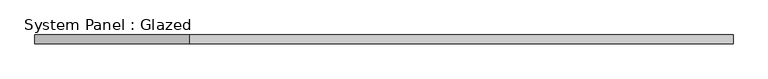
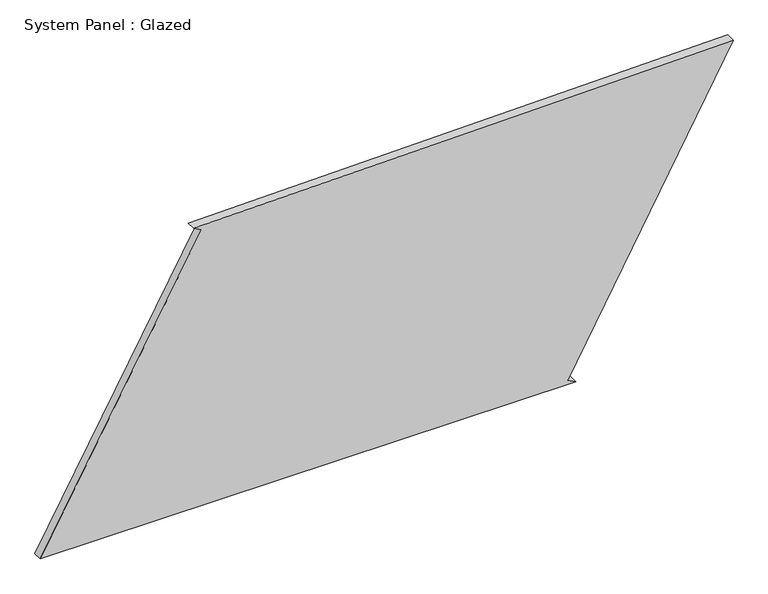
"""IFC4 building model written with IfcOpenShell, lengths in millimetres: plate geometry, System Panel : Glazed."""

from ifc_helpers import new_model, si_unit, frame, origin, place, context, project, spatial, polyline, outline, extrude, source, transform, mapped, element, save


def system_panel_glazed_52726f84(model_context):
    return source(origin(), model_context, "Body", "SweptSolid", [
        extrude(outline(polyline([(0.0, -971.219507), (0.0, 529.5634698), (12.0209769, 507.6432482), (857.3511351, 971.219507), (829.0603554, -540.8398202), (816.9522436, -518.9676089), (0.0, -971.219507)])), frame((0.0, -49.5, 0.0), z_axis=(0.0, 1.0, 0.0), x_axis=(0.0, 0.0, 1.0)), (0.0, 0.0, 1.0), 25.0),
    ])


if __name__ == "__main__":
    model = new_model("IFC4")
    model_context = context("Model", 3, world=origin())
    ifc_project = project(units=[si_unit("LENGTHUNIT", "METRE", prefix="MILLI")], contexts=[model_context])
    site = spatial("IfcSite", under=ifc_project)
    building = spatial("IfcBuilding", under=site)
    placement = place(None, origin())
    system_panel_glazed_shape = system_panel_glazed_52726f84(model_context)
    element("IfcPlate", 1, ObjectType="System Panel : Glazed", at=placement, inside=building, context=model_context, shape_type="MappedRepresentation", body=[
        mapped(system_panel_glazed_shape, transform((0.0, 0.0, 0.0), x_axis=(1.0, 0.0, 0.0), y_axis=(0.0, 1.0, 0.0), z_axis=(0.0, 0.0, 1.0))),
    ])
    save(model, "model.ifc")
